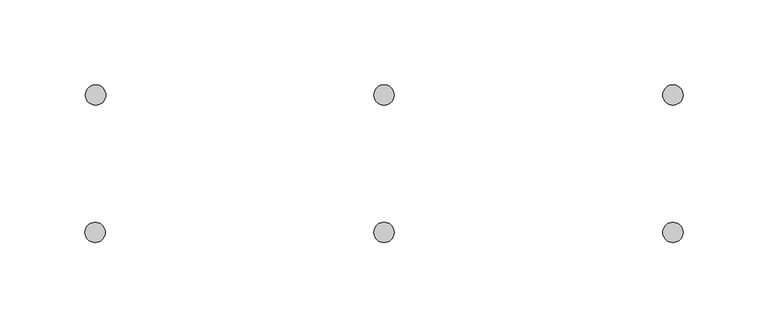
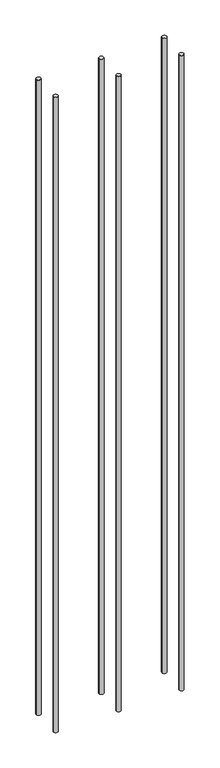
"""IFC4 building model written with IfcOpenShell, lengths in millimetres: proxy geometry."""

from ifc_helpers import new_model, si_unit, point, frame, frame_2d, origin, place, context, project, spatial, circle_curve, trimmed, segment, composite_curve, outline, extrude, source, transform, mapped, element, save


def generic_models_097cd9fd(model_context):
    return source(origin(), model_context, "Body", "SweptSolid", [
        extrude(outline(composite_curve([segment(trimmed(circle_curve(frame_2d((141.7670877, 396.5454123)), 6.0), [point((147.7670877, 396.5454123))], [point((135.7670877, 396.5454123))], False, "CARTESIAN"), True, "CONTINUOUS"), segment(trimmed(circle_curve(frame_2d((141.7670877, 396.5454123)), 6.0), [point((135.7670877, 396.5454123))], [point((147.7670877, 396.5454123))], False, "CARTESIAN"), True, "CONTINUOUS")], self_intersect=False)), frame((0.0, 0.0, -910.0), z_axis=(0.0, 0.0, 1.0), x_axis=(1.0, 0.0, 0.0)), (0.0, 0.0, 1.0), 1810.0),
        extrude(outline(composite_curve([segment(trimmed(circle_curve(frame_2d((141.4545877, 315.5454123)), 6.0), [point((135.4545877, 315.5454123))], [point((147.4545877, 315.5454123))], False, "CARTESIAN"), True, "CONTINUOUS"), segment(trimmed(circle_curve(frame_2d((141.4545877, 315.5454123)), 6.0), [point((147.4545877, 315.5454123))], [point((135.4545877, 315.5454123))], False, "CARTESIAN"), True, "CONTINUOUS")], self_intersect=False)), frame((0.0, 0.0, -910.0), z_axis=(0.0, 0.0, 1.0), x_axis=(1.0, 0.0, 0.0)), (0.0, 0.0, 1.0), 1810.0),
        extrude(outline(composite_curve([segment(trimmed(circle_curve(frame_2d((311.4545877, 396.5454123)), 6.0), [point((317.4545877, 396.5454123))], [point((305.4545877, 396.5454123))], False, "CARTESIAN"), True, "CONTINUOUS"), segment(trimmed(circle_curve(frame_2d((311.4545877, 396.5454123)), 6.0), [point((305.4545877, 396.5454123))], [point((317.4545877, 396.5454123))], False, "CARTESIAN"), True, "CONTINUOUS")], self_intersect=False)), frame((0.0, 0.0, -910.0), z_axis=(0.0, 0.0, 1.0), x_axis=(1.0, 0.0, 0.0)), (0.0, 0.0, 1.0), 1810.0),
        extrude(outline(composite_curve([segment(trimmed(circle_curve(frame_2d((311.4545877, 315.5454123)), 6.0), [point((305.4545877, 315.5454123))], [point((317.4545877, 315.5454123))], False, "CARTESIAN"), True, "CONTINUOUS"), segment(trimmed(circle_curve(frame_2d((311.4545877, 315.5454123)), 6.0), [point((317.4545877, 315.5454123))], [point((305.4545877, 315.5454123))], False, "CARTESIAN"), True, "CONTINUOUS")], self_intersect=False)), frame((0.0, 0.0, -910.0), z_axis=(0.0, 0.0, 1.0), x_axis=(1.0, 0.0, 0.0)), (0.0, 0.0, 1.0), 1810.0),
        extrude(outline(composite_curve([segment(trimmed(circle_curve(frame_2d((481.4545877, 315.5454123)), 6.0), [point((475.4545877, 315.5454123))], [point((487.4545877, 315.5454123))], False, "CARTESIAN"), True, "CONTINUOUS"), segment(trimmed(circle_curve(frame_2d((481.4545877, 315.5454123)), 6.0), [point((487.4545877, 315.5454123))], [point((475.4545877, 315.5454123))], False, "CARTESIAN"), True, "CONTINUOUS")], self_intersect=False)), frame((0.0, 0.0, -910.0), z_axis=(0.0, 0.0, 1.0), x_axis=(1.0, 0.0, 0.0)), (0.0, 0.0, 1.0), 1810.0),
        extrude(outline(composite_curve([segment(trimmed(circle_curve(frame_2d((481.4545877, 396.5454123)), 6.0), [point((487.4545877, 396.5454123))], [point((475.4545877, 396.5454123))], False, "CARTESIAN"), True, "CONTINUOUS"), segment(trimmed(circle_curve(frame_2d((481.4545877, 396.5454123)), 6.0), [point((475.4545877, 396.5454123))], [point((487.4545877, 396.5454123))], False, "CARTESIAN"), True, "CONTINUOUS")], self_intersect=False)), frame((0.0, 0.0, -910.0), z_axis=(0.0, 0.0, 1.0), x_axis=(1.0, 0.0, 0.0)), (0.0, 0.0, 1.0), 1810.0),
    ])


if __name__ == "__main__":
    model = new_model("IFC4")
    model_context = context("Model", 3, world=origin())
    ifc_project = project(units=[si_unit("LENGTHUNIT", "METRE", prefix="MILLI")], contexts=[model_context])
    site = spatial("IfcSite", under=ifc_project)
    building = spatial("IfcBuilding", under=site)
    placement = place(None, origin())
    generic_models_shape = generic_models_097cd9fd(model_context)
    element("IfcBuildingElementProxy", 1, Name="Generic Models", at=placement, inside=building, context=model_context, shape_type="MappedRepresentation", body=[
        mapped(generic_models_shape, transform((0.0, 0.0, 0.0), x_axis=(1.0, 0.0, 0.0), y_axis=(0.0, 1.0, 0.0), z_axis=(0.0, 0.0, 1.0))),
    ])
    save(model, "model.ifc")
